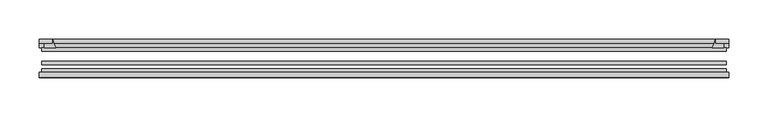
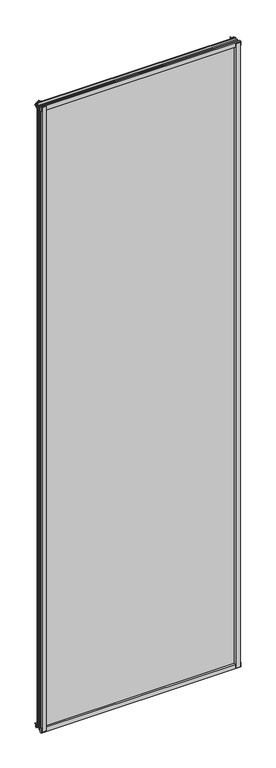
"""IFC4 building model written with IfcOpenShell, lengths in millimetres: plate geometry."""

from ifc_helpers import new_model, si_unit, point, frame, frame_2d, origin, place, context, project, spatial, polyline, circle_curve, trimmed, segment, composite_curve, outline, extrude, source, transform, mapped, element, save


def plate_d6231945(model_context):
    return source(origin(), model_context, "Body", "SweptSolid", [
        extrude(outline(composite_curve([segment(polyline([(-438.15, -78.7828625), (-416.7287987, -78.7828625)]), True, "CONTINUOUS"), segment(trimmed(circle_curve(frame_2d((-409.0916331, -84.652782)), 9.6323545), [point((-416.7287987, -78.7828625))], [point((-418.7120165, -85.1328625))], True, "CARTESIAN"), True, "CONTINUOUS"), segment(polyline([(-418.7120165, -85.1328625), (-438.15, -85.1328625), (-438.15, -78.7828625)]), True, "CONTINUOUS")], self_intersect=False)), frame((0.0, 0.0, -14.2875), z_axis=(0.0, 0.0, 1.0), x_axis=(1.0, 0.0, 0.0)), (0.0, 0.0, 1.0), 2914.65),
        extrude(outline(composite_curve([segment(polyline([(438.1919065, -78.7828625), (438.1919065, -85.1328625), (418.7120165, -85.1328625)]), True, "CONTINUOUS"), segment(trimmed(circle_curve(frame_2d((409.0916331, -84.652782)), 9.6323545), [point((418.7120165, -85.1328625))], [point((416.7287987, -78.7828625))], True, "CARTESIAN"), True, "CONTINUOUS"), segment(polyline([(416.7287987, -78.7828625), (438.1919065, -78.7828625)]), True, "CONTINUOUS")], self_intersect=False)), frame((0.0, 0.0, -14.2875), z_axis=(0.0, 0.0, 1.0), x_axis=(1.0, 0.0, 0.0)), (0.0, 0.0, 1.0), 2914.65),
        extrude(outline(composite_curve([segment(polyline([(-47.1852625, -14.2875), (-47.1852625, 3.9588469)]), True, "CONTINUOUS"), segment(trimmed(circle_curve(frame_2d((-30.6824422, 32.267054)), 32.7673262), [point((-47.1852625, 3.9588469))], [point((-36.3503395, -0.00635))], True, "CARTESIAN"), True, "CONTINUOUS"), segment(polyline([(-36.3503395, -0.00635), (-42.2830625, -0.00635), (-42.2830625, -14.2875), (-47.1852625, -14.2875)]), True, "CONTINUOUS")], self_intersect=False)), frame((-441.325, 0.0, 0.0), z_axis=(1.0, 0.0, 0.0), x_axis=(0.0, 1.0, 0.0)), (0.0, 0.0, 1.0), 882.65),
        extrude(outline(composite_curve([segment(polyline([(-78.7828625, -16.8821065), (-85.1328625, -16.8821065), (-85.1328625, 2.5977835)]), True, "CONTINUOUS"), segment(trimmed(circle_curve(frame_2d((-84.652782, 12.2181669)), 9.6323545), [point((-85.1328625, 2.5977835))], [point((-78.7828625, 4.5810013))], True, "CARTESIAN"), True, "CONTINUOUS"), segment(polyline([(-78.7828625, 4.5810013), (-78.7828625, -16.8821065)]), True, "CONTINUOUS")], self_intersect=False)), frame((-441.325, 0.0, 0.0), z_axis=(1.0, 0.0, 0.0), x_axis=(0.0, 1.0, 0.0)), (0.0, 0.0, 1.0), 882.65),
        extrude(outline(composite_curve([segment(polyline([(-47.1852625, 2882.1034531), (-47.1852625, 2896.7752564), (-42.2830625, 2896.7752564), (-42.2830625, 2886.075), (-36.3140625, 2886.075)]), True, "CONTINUOUS"), segment(trimmed(circle_curve(frame_2d((-30.6824422, 2853.795246)), 32.7673262), [point((-36.3140625, 2886.075))], [point((-47.1852625, 2882.1034531))], True, "CARTESIAN"), True, "CONTINUOUS")], self_intersect=False)), frame((-441.325, 0.0, 0.0), z_axis=(1.0, 0.0, 0.0), x_axis=(0.0, 1.0, 0.0)), (0.0, 0.0, 1.0), 882.65),
        extrude(outline(composite_curve([segment(polyline([(-78.7828625, 2902.9444065), (-78.7828625, 2881.4812987)]), True, "CONTINUOUS"), segment(trimmed(circle_curve(frame_2d((-84.652782, 2873.8441331)), 9.6323545), [point((-78.7828625, 2881.4812987))], [point((-85.1328625, 2883.4645165))], True, "CARTESIAN"), True, "CONTINUOUS"), segment(polyline([(-85.1328625, 2883.4645165), (-85.1328625, 2902.9444065), (-78.7828625, 2902.9444065)]), True, "CONTINUOUS")], self_intersect=False)), frame((-441.325, 0.0, 0.0), z_axis=(1.0, 0.0, 0.0), x_axis=(0.0, 1.0, 0.0)), (0.0, 0.0, 1.0), 882.65),
        extrude(outline(composite_curve([segment(trimmed(circle_curve(frame_2d((391.582746, -30.6824422)), 32.7673262), [point((419.8909531, -47.1852625))], [point((423.8625, -36.3140625))], True, "CARTESIAN"), True, "CONTINUOUS"), segment(polyline([(423.8625, -36.3140625), (423.8625, -42.2830625), (434.5628653, -42.2830625), (434.5628653, -47.1852625), (419.8909531, -47.1852625)]), True, "CONTINUOUS")], self_intersect=False)), frame((0.0, 0.0, -14.2875), z_axis=(0.0, 0.0, 1.0), x_axis=(1.0, 0.0, 0.0)), (0.0, 0.0, 1.0), 2914.65),
        extrude(outline(composite_curve([segment(polyline([(-419.8909531, -47.1852625), (-434.5577092, -47.1852625), (-434.5577092, -42.2830625), (-423.8625, -42.2830625), (-423.8625, -36.3140625)]), True, "CONTINUOUS"), segment(trimmed(circle_curve(frame_2d((-391.582746, -30.6824422)), 32.7673262), [point((-423.8625, -36.3140625))], [point((-419.8909531, -47.1852625))], True, "CARTESIAN"), True, "CONTINUOUS")], self_intersect=False)), frame((0.0, 0.0, -14.2875), z_axis=(0.0, 0.0, 1.0), x_axis=(1.0, 0.0, 0.0)), (0.0, 0.0, 1.0), 2914.65),
        extrude(outline(polyline([(438.15, -64.6604625), (438.15, -69.4356625), (-438.15, -69.4356625), (-438.15, -64.6604625), (438.15, -64.6604625)])), frame((0.0, 0.0, -14.2875), z_axis=(0.0, 0.0, 1.0), x_axis=(1.0, 0.0, 0.0)), (0.0, 0.0, 1.0), 2914.65),
        extrude(outline(polyline([(-438.15, -78.7828625), (-438.15, -74.0076625), (438.15, -74.0076625), (438.15, -78.7828625), (-438.15, -78.7828625)])), frame((0.0, 0.0, -14.2875), z_axis=(0.0, 0.0, 1.0), x_axis=(1.0, 0.0, 0.0)), (0.0, 0.0, 1.0), 2914.65),
        extrude(outline(polyline([(-438.15, -47.1852625), (438.15, -47.1852625), (438.15, -51.9604625), (-438.15, -51.9604625), (-438.15, -47.1852625)])), frame((0.0, 0.0, -14.2875), z_axis=(0.0, 0.0, 1.0), x_axis=(1.0, 0.0, 0.0)), (0.0, 0.0, 1.0), 2914.65),
    ])


if __name__ == "__main__":
    model = new_model("IFC4")
    model_context = context("Model", 3, world=origin())
    ifc_project = project(units=[si_unit("LENGTHUNIT", "METRE", prefix="MILLI")], contexts=[model_context])
    site = spatial("IfcSite", under=ifc_project)
    building = spatial("IfcBuilding", under=site)
    placement = place(None, origin())
    plate_shape = plate_d6231945(model_context)
    element("IfcPlate", 1, at=placement, inside=building, context=model_context, shape_type="MappedRepresentation", body=[
        mapped(plate_shape, transform((0.0, 0.0, 0.0), x_axis=(1.0, 0.0, 0.0), y_axis=(0.0, 1.0, 0.0), z_axis=(0.0, 0.0, 1.0))),
    ])
    save(model, "model.ifc")
